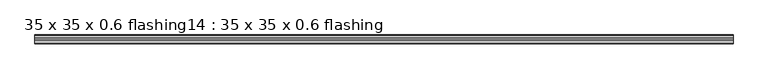
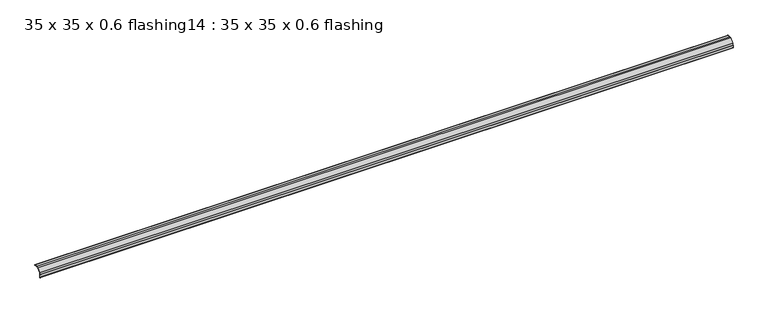
"""IFC4 building model written with IfcOpenShell, lengths in millimetres: proxy geometry, 35 x 35 x 0.6 flashing14 : 35 x 35 x 0.6 flashing."""

from ifc_helpers import new_model, si_unit, point, frame, frame_2d, origin, place, context, project, spatial, polyline, circle_curve, trimmed, segment, composite_curve, outline, extrude, source, transform, mapped, element, save


def proxy_35_x_35_x_0_6_flashing14_35_x_35_x_0_6_flashing_5b6c10f2(model_context):
    return source(origin(), model_context, "Body", "SweptSolid", [
        extrude(outline(composite_curve([segment(trimmed(circle_curve(frame_2d((958.6461406, 1397.1787912)), 1.0), [point((959.6461406, 1397.1787912))], [point((957.6461406, 1397.1787912))], False, "CARTESIAN"), True, "CONTINUOUS"), segment(polyline([(957.6461406, 1397.1787912), (957.6461406, 1406.2114686), (958.6461406, 1406.2114686), (958.6461406, 1413.1787912), (970.8560632, 1425.3887139), (977.8233859, 1425.3887139), (977.8233859, 1426.3887139), (986.8560632, 1426.3887139)]), True, "CONTINUOUS"), segment(trimmed(circle_curve(frame_2d((986.8560632, 1425.3887139)), 1.0), [point((986.8560632, 1426.3887139))], [point((986.8560632, 1424.3887139))], False, "CARTESIAN"), True, "CONTINUOUS"), segment(polyline([(986.8560632, 1424.3887139), (971.2702768, 1424.3887139), (959.6461406, 1412.7645777), (959.6461406, 1397.1787912)]), True, "CONTINUOUS")], self_intersect=False)), frame((4287.3395579, 0.0, 0.0), z_axis=(1.0, 0.0, 0.0), x_axis=(0.0, 1.0, 0.0)), (0.0, 0.0, 1.0), 2410.6438934),
    ])


if __name__ == "__main__":
    model = new_model("IFC4")
    model_context = context("Model", 3, world=origin())
    ifc_project = project(units=[si_unit("LENGTHUNIT", "METRE", prefix="MILLI")], contexts=[model_context])
    site = spatial("IfcSite", under=ifc_project)
    building = spatial("IfcBuilding", under=site)
    placement = place(None, origin())
    proxy_35_x_35_x_0_6_flashing14_35_x_35_x_0_6_flashing_shape = proxy_35_x_35_x_0_6_flashing14_35_x_35_x_0_6_flashing_5b6c10f2(model_context)
    element("IfcBuildingElementProxy", 1, Name="35 x 35 x 0.6 flashing14 : 35 x 35 x 0.6 flashing", ObjectType="35 x 35 x 0.6 flashing14 : 35 x 35 x 0.6 flashing", at=placement, inside=building, context=model_context, shape_type="MappedRepresentation", body=[
        mapped(proxy_35_x_35_x_0_6_flashing14_35_x_35_x_0_6_flashing_shape, transform((0.0, 0.0, 0.0), x_axis=(1.0, 0.0, 0.0), y_axis=(0.0, 1.0, 0.0), z_axis=(0.0, 0.0, 1.0))),
    ])
    save(model, "model.ifc")
